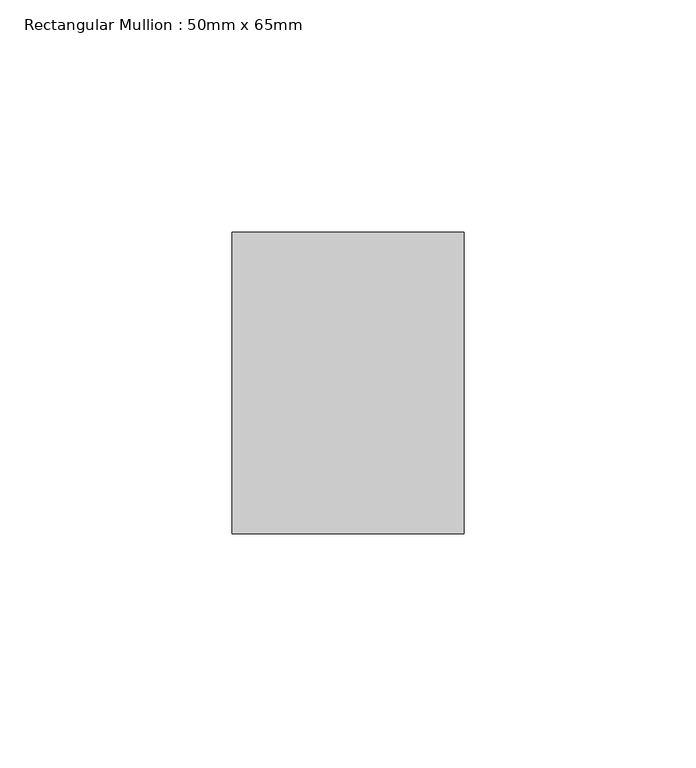
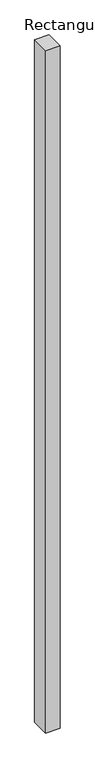
"""IFC4 building model written with IfcOpenShell, lengths in millimetres: member geometry, Rectangular Mullion : 50mm x 65mm."""

from ifc_helpers import new_model, si_unit, frame, origin, place, context, project, spatial, polyline, outline, extrude, source, transform, mapped, element, save


def rectangular_mullion_50mm_x_65mm_be2cadb1(model_context):
    return source(origin(), model_context, "Body", "SweptSolid", [
        extrude(outline(polyline([(25.0, 32.5), (25.0, -32.5), (-25.0, -32.5), (-25.0, 32.5), (25.0, 32.5)])), frame((0.0, 0.0, -2478.0262147), z_axis=(0.0, 0.0, 1.0), x_axis=(1.0, 0.0, 0.0)), (0.0, 0.0, 1.0), 2478.0262147),
    ])


if __name__ == "__main__":
    model = new_model("IFC4")
    model_context = context("Model", 3, world=origin())
    ifc_project = project(units=[si_unit("LENGTHUNIT", "METRE", prefix="MILLI")], contexts=[model_context])
    site = spatial("IfcSite", under=ifc_project)
    building = spatial("IfcBuilding", under=site)
    placement = place(None, origin())
    rectangular_mullion_50mm_x_65mm_shape = rectangular_mullion_50mm_x_65mm_be2cadb1(model_context)
    element("IfcMember", 1, ObjectType="Rectangular Mullion : 50mm x 65mm", at=placement, inside=building, context=model_context, shape_type="MappedRepresentation", body=[
        mapped(rectangular_mullion_50mm_x_65mm_shape, transform((0.0, 0.0, 0.0), x_axis=(1.0, 0.0, 0.0), y_axis=(0.0, 1.0, 0.0), z_axis=(0.0, 0.0, 1.0))),
    ])
    save(model, "model.ifc")
